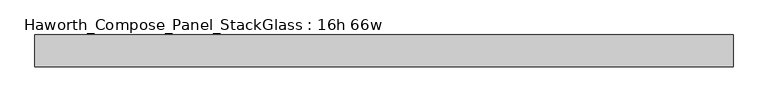
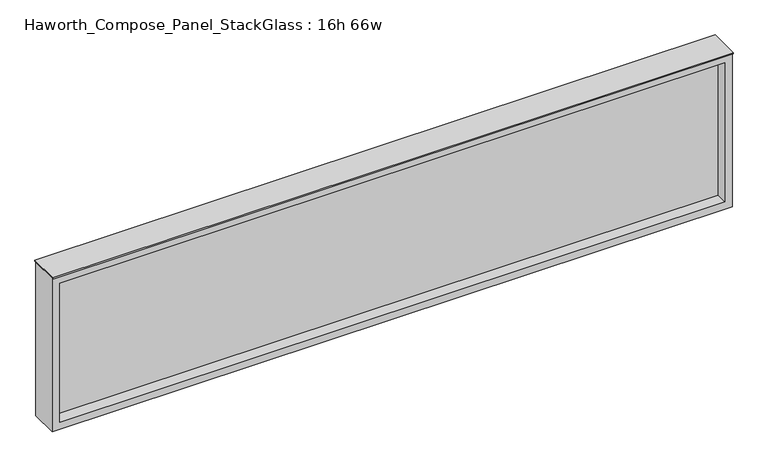
"""IFC4 building model written with IfcOpenShell, lengths in millimetres: furniture geometry, Haworth_Compose_Panel_StackGlass : 16h 66w."""

import ifcopenshell
import ifcopenshell.guid

model = None  # the IFC model being written
_history = None  # IfcOwnerHistory: only IFC2X3 demands one
_inside = {}  # id of a spatial element -> (the spatial element, [elements in it])
_under = {}  # id of a project, library or spatial element -> (it, [spatial elements below it])
_declared = {}  # id of a project -> (the project, [libraries it declares])
_typed = {}  # id of a type object -> (the type object, [elements of that type])
_made_of = {}  # id of a material, layer set ... -> (it, [elements and type objects made of it])


def new_model(schema):
    """Start an empty IFC model of exactly this schema.

    Asked for "IFC4X3", IfcOpenShell would pick the latest addendum, in which some entities
    have other attributes; the version numbers below select the first issue.
    IFC2X3 requires an IfcOwnerHistory on every rooted entity: one is made here for all.
    """
    global model, _history
    if schema == "IFC4X3":
        model = ifcopenshell.file(schema_version=(4, 3, 0, 0))
    else:
        model = ifcopenshell.file(schema=schema)
    _inside.clear()
    _under.clear()
    _declared.clear()
    _typed.clear()
    _made_of.clear()
    _history = None
    if model.schema == "IFC2X3":
        org = make("IfcOrganization", Name="unknown")
        user = make(
            "IfcPersonAndOrganization",
            ThePerson=make("IfcPerson", FamilyName="unknown"),
            TheOrganization=org,
        )
        app = make(
            "IfcApplication",
            ApplicationDeveloper=org,
            Version="unknown",
            ApplicationFullName="unknown",
            ApplicationIdentifier="unknown",
        )
        _history = make(
            "IfcOwnerHistory",
            OwningUser=user,
            OwningApplication=app,
            ChangeAction="ADDED",
            CreationDate=0,
        )
    return model


def make(cls, **values):
    """One entity of the class cls with the attributes given. An attribute that is None is left unset."""
    return model.create_entity(
        cls, **{name: value for name, value in values.items() if value is not None}
    )


def rooted(cls, **values):
    """An entity with a GlobalId (a new one), such as an element, a storey or a relation."""
    return make(cls, GlobalId=ifcopenshell.guid.new(), OwnerHistory=_history, **values)


def si_unit(unit_type, name, prefix=None):
    """IfcSIUnit, for example si_unit("LENGTHUNIT", "METRE", prefix="MILLI")."""
    return make("IfcSIUnit", UnitType=unit_type, Prefix=prefix, Name=name)


def assignment(units):
    """IfcUnitAssignment: the units of a project."""
    return None if units is None else make("IfcUnitAssignment", Units=units)


def point(xyz):
    """IfcCartesianPoint."""
    return None if xyz is None else make("IfcCartesianPoint", Coordinates=xyz)


def direction(xyz):
    """IfcDirection."""
    return None if xyz is None else make("IfcDirection", DirectionRatios=xyz)


def frame(location, z_axis=None, x_axis=None):
    """IfcAxis2Placement3D, a coordinate frame: its origin and axes. An axis left out is left unset."""
    return make(
        "IfcAxis2Placement3D",
        Location=point(location),
        Axis=direction(z_axis),
        RefDirection=direction(x_axis),
    )


def origin():
    """The frame at (0, 0, 0) with its axes left unset."""
    return frame((0.0, 0.0, 0.0))


def place(relative_to, where):
    """IfcLocalPlacement: puts the frame where relative to a parent placement (None: the world)."""
    return make(
        "IfcLocalPlacement", PlacementRelTo=relative_to, RelativePlacement=where
    )


def context(
    kind, dimensions, precision=None, world=None, true_north=None, identifier=None
):
    """IfcGeometricRepresentationContext, for example the 3D "Model" context."""
    return make(
        "IfcGeometricRepresentationContext",
        ContextIdentifier=identifier,
        ContextType=kind,
        CoordinateSpaceDimension=dimensions,
        Precision=precision,
        WorldCoordinateSystem=world,
        TrueNorth=true_north,
    )


def project(units=None, contexts=None):
    """IfcProject with its units and contexts."""
    return rooted(
        "IfcProject",
        Name="project",
        RepresentationContexts=contexts,
        UnitsInContext=assignment(units),
    )


def spatial(cls, under=None, at=None, **own):
    """A site, building, storey or space (cls), placed at a placement, below another one or the project."""
    s = rooted(cls, ObjectPlacement=at, **own)
    if under is not None:
        _under.setdefault(under.id(), (under, []))[1].append(s)
    return s


def polyline(points):
    """IfcPolyline through the points."""
    return make("IfcPolyline", Points=[point(p) for p in points])


def outline(outer, holes=None, kind="AREA"):
    """IfcArbitraryClosedProfileDef: a profile drawn as a closed curve; with holes, ...WithVoids."""
    if holes is None:
        return make("IfcArbitraryClosedProfileDef", ProfileType=kind, OuterCurve=outer)
    return make(
        "IfcArbitraryProfileDefWithVoids",
        ProfileType=kind,
        OuterCurve=outer,
        InnerCurves=holes,
    )


def extrude(swept, where, along, depth):
    """IfcExtrudedAreaSolid: the profile swept, set in the frame where, extruded along a direction by depth."""
    return make(
        "IfcExtrudedAreaSolid",
        SweptArea=swept,
        Position=where,
        ExtrudedDirection=direction(along),
        Depth=depth,
    )


def shape(context_of_items, identifier, shape_type, items):
    """IfcShapeRepresentation: the items that make up one representation, for example the "Body"."""
    return make(
        "IfcShapeRepresentation",
        ContextOfItems=context_of_items,
        RepresentationIdentifier=identifier,
        RepresentationType=shape_type,
        Items=items,
    )


def source(mapping_origin, context_of_items, identifier, shape_type, items):
    """IfcRepresentationMap: a shape defined once, which mapped items show again and again."""
    return make(
        "IfcRepresentationMap",
        MappingOrigin=mapping_origin,
        MappedRepresentation=shape(context_of_items, identifier, shape_type, items),
    )


def transform(
    local_origin,
    x_axis=None,
    y_axis=None,
    z_axis=None,
    scale=None,
    scale2=None,
    scale3=None,
    uniform=True,
):
    """IfcCartesianTransformationOperator3D, or its non-uniform kind. x_axis, y_axis, z_axis: its Axis1, 2, 3."""
    if uniform:
        return make(
            "IfcCartesianTransformationOperator3D",
            Axis1=direction(x_axis),
            Axis2=direction(y_axis),
            LocalOrigin=point(local_origin),
            Scale=scale,
            Axis3=direction(z_axis),
        )
    return make(
        "IfcCartesianTransformationOperator3DnonUniform",
        Axis1=direction(x_axis),
        Axis2=direction(y_axis),
        LocalOrigin=point(local_origin),
        Scale=scale,
        Axis3=direction(z_axis),
        Scale2=scale2,
        Scale3=scale3,
    )


def mapped(mapping_source, mapping_target):
    """IfcMappedItem: shows the shape of a source again, moved by a transform."""
    return make(
        "IfcMappedItem", MappingSource=mapping_source, MappingTarget=mapping_target
    )


def made_of(thing, what):
    """Note that an element or type object is made of a material, layer set ...; save() writes the relation."""
    if what is not None:
        _made_of.setdefault(what.id(), (what, []))[1].append(thing)
    return thing


def element(
    cls,
    number,
    at=None,
    inside=None,
    cuts=None,
    type_object=None,
    material=None,
    context=None,
    identifier="Body",
    shape_type=None,
    held_by="IfcProductDefinitionShape",
    body=None,
    shapes=None,
    **own,
):
    """One element of the class cls, such as IfcWall. Its Tag is "e" and its number.

    at: its placement. inside: the storey or other place that contains it. cuts: it is an
    opening in that element (IfcRelVoidsElement). A single representation is given by context,
    identifier, shape_type and body (its items); several are given by shapes. held_by: the class
    of the entity that holds the representations. save() writes the other relations.
    """
    e = rooted(cls, Tag="e%d" % number, ObjectPlacement=at, **own)
    if body is not None:
        shapes = [shape(context, identifier, shape_type, body)]
    if shapes is not None:
        e.Representation = make(held_by, Representations=shapes)
    if inside is not None:
        _inside.setdefault(inside.id(), (inside, []))[1].append(e)
    if cuts is not None:
        rooted(
            "IfcRelVoidsElement", RelatingBuildingElement=cuts, RelatedOpeningElement=e
        )
    if type_object is not None:
        _typed.setdefault(type_object.id(), (type_object, []))[1].append(e)
    return made_of(e, material)


def aggregate(whole, parts):
    """IfcRelAggregates: a whole, such as a stair, and the parts it consists of."""
    return rooted("IfcRelAggregates", RelatingObject=whole, RelatedObjects=parts)


def save(model, path):
    """Write the relations noted so far, then the file.

    IfcRelAggregates (storeys below a building ...), IfcRelContainedInSpatialStructure (elements
    in a storey), IfcRelDefinesByType, IfcRelAssociatesMaterial and IfcRelDeclares: one each for
    every whole, place, type object, material and project.
    """
    for whole, parts in _under.values():
        aggregate(whole, parts)
    for where, things in _inside.values():
        rooted(
            "IfcRelContainedInSpatialStructure",
            RelatedElements=things,
            RelatingStructure=where,
        )
    for kind, things in _typed.values():
        rooted("IfcRelDefinesByType", RelatedObjects=things, RelatingType=kind)
    for what, things in _made_of.values():
        rooted("IfcRelAssociatesMaterial", RelatedObjects=things, RelatingMaterial=what)
    for by, libraries in _declared.values():
        rooted("IfcRelDeclares", RelatingContext=by, RelatedDefinitions=libraries)
    model.write(path)


def haworth_compose_panel_stackglass_16h_66w_17842848(model_context):
    return source(origin(), model_context, "Body", "SweptSolid", [
        extrude(outline(polyline([(821.5902902, -6.35), (-816.7097098, -6.35), (-816.7097098, 6.35), (821.5902902, 6.35), (821.5902902, -6.35)])), frame((0.0, 0.0, 1085.85), z_axis=(0.0, 0.0, 1.0), x_axis=(1.0, 0.0, 0.0)), (0.0, 0.0, 1.0), 361.95),
        extrude(outline(polyline([(1466.85, -835.7597098), (1066.8, -835.7597098), (1066.8, 840.6402902), (1466.85, 840.6402902), (1466.85, -835.7597098)]), holes=[polyline([(1447.8, 821.5902902), (1085.85, 821.5902902), (1085.85, -816.7097098), (1447.8, -816.7097098), (1447.8, 821.5902902)])]), frame((0.0, -34.925, 0.0), z_axis=(0.0, 1.0, 0.0), x_axis=(0.0, 0.0, 1.0)), (0.0, 0.0, 1.0), 69.85),
        extrude(outline(polyline([(-835.7597098, -38.1), (-835.7597098, 38.1), (840.6402902, 38.1), (840.6402902, -38.1), (-835.7597098, -38.1)])), frame((0.0, 0.0, 1466.85), z_axis=(0.0, 0.0, 1.0), x_axis=(1.0, 0.0, 0.0)), (0.0, 0.0, 1.0), 3.175),
    ])


if __name__ == "__main__":
    model = new_model("IFC4")
    model_context = context("Model", 3, world=origin())
    ifc_project = project(units=[si_unit("LENGTHUNIT", "METRE", prefix="MILLI")], contexts=[model_context])
    site = spatial("IfcSite", under=ifc_project)
    building = spatial("IfcBuilding", under=site)
    placement = place(None, origin())
    haworth_compose_panel_stackglass_16h_66w_shape = haworth_compose_panel_stackglass_16h_66w_17842848(model_context)
    element("IfcFurniture", 1, ObjectType="Haworth_Compose_Panel_StackGlass : 16h 66w", at=placement, inside=building, context=model_context, shape_type="MappedRepresentation", body=[
        mapped(haworth_compose_panel_stackglass_16h_66w_shape, transform((0.0, 0.0, 0.0), x_axis=(1.0, 0.0, 0.0), y_axis=(0.0, 1.0, 0.0), z_axis=(0.0, 0.0, 1.0))),
    ])
    save(model, "model.ifc")
